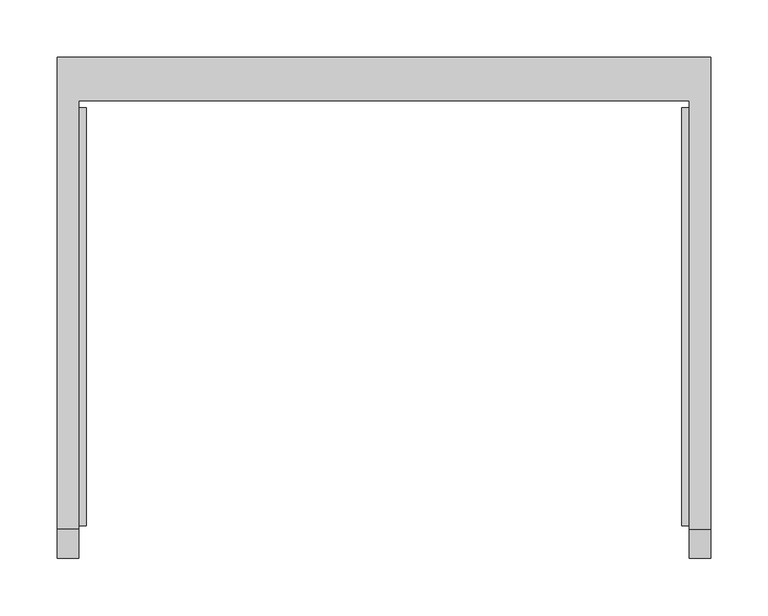
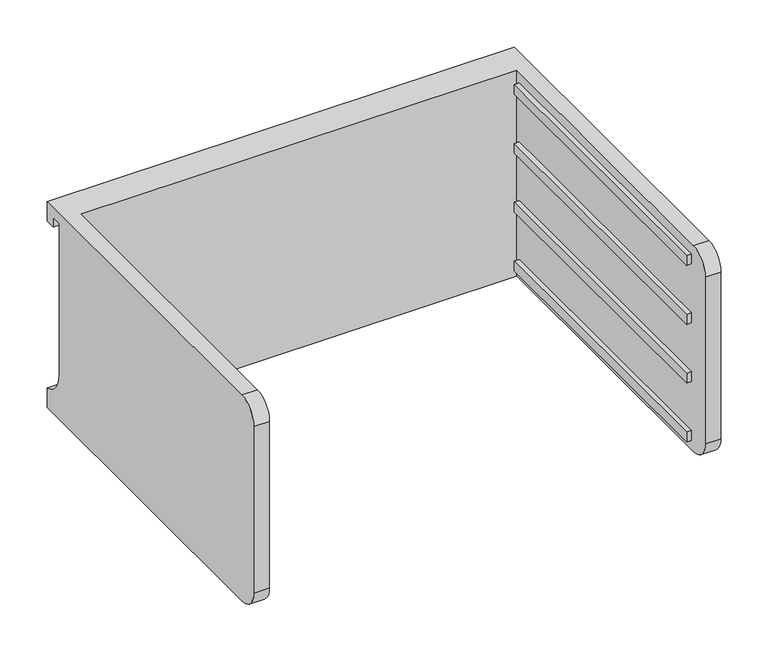
"""IFC4 building model written with IfcOpenShell, lengths in millimetres: furniture geometry."""

from ifc_helpers import new_model, si_unit, frame, origin, place, context, project, spatial, polyline, circle_curve, outline, extrude, source, transform, mapped, element, save
from ifc_brep_helpers import plane_surface, cylinder_surface, revolved_surface, advanced_brep


def furniture_c54fcda0(model_context):
    return source(origin(), model_context, "Body", "SolidModel", [
        advanced_brep(
        [(-171.7622951, -331.6523397, 796.2646), (-171.7622951, -357.0523397, 770.8646), (-171.7622951, -357.0523397, 554.9646), (-171.7622951, -331.6523397, 529.5646), (-171.7622951, 43.0421197, 529.5646), (-171.7622951, 43.0421197, 796.2646), (-190.8122951, -331.6523397, 529.5646), (-190.8122951, -357.0523397, 554.9646), (-190.8122951, -357.0523397, 770.8646), (-190.8122951, -331.6523397, 796.2646), (-190.8122951, 81.0976603, 796.2646), (-190.8122951, 81.0976603, 770.8646), (-190.8122951, 68.4421197, 770.8646), (-190.8122951, 68.4421197, 783.5646), (-190.8122951, 55.7421197, 783.5646), (-190.8122951, 55.7421197, 587.50962), (-190.8122951, 81.0976603, 554.9646), (-190.8122951, 81.0976603, 529.5646), (380.6877049, 81.0976603, 529.5646), (380.6877049, -331.6523397, 529.5646), (361.6377049, -331.6523397, 529.5646), (361.6377049, 43.0421197, 529.5646), (361.6377049, 43.0421197, 796.2646), (361.6377049, -331.6523397, 796.2646), (380.6877049, -331.6523397, 796.2646), (380.6877049, 81.0976603, 796.2646), (380.6877049, 81.0976603, 554.9646), (380.6877049, 55.7421197, 587.50962), (380.6877049, 55.7421197, 783.5646), (380.6877049, 68.4421197, 783.5646), (380.6877049, 68.4421197, 770.8646), (380.6877049, 81.0976603, 770.8646), (380.6877049, -357.0523397, 770.8646), (380.6877049, -357.0523397, 554.9646), (361.6377049, -357.0523397, 554.9646), (361.6377049, -357.0523397, 770.8646)],
        [
            (0, 1, circle_curve(frame((-171.7622951, -331.6523397, 770.8646), z_axis=(1.0, 0.0, 0.0), x_axis=(0.0, 0.0, 1.0)), 25.4)),
            (1, 2),
            (2, 3, circle_curve(frame((-171.7622951, -331.6523397, 554.9646), z_axis=(1.0, 0.0, 0.0), x_axis=(0.0, 0.0, 1.0)), 25.4)),
            (3, 4),
            (4, 5),
            (5, 0),
            (6, 7, circle_curve(frame((-190.8122951, -331.6523397, 554.9646), z_axis=(-1.0, 0.0, 0.0), x_axis=(0.0, 0.0, 1.0)), 25.4)),
            (7, 8),
            (8, 9, circle_curve(frame((-190.8122951, -331.6523397, 770.8646), z_axis=(-1.0, 0.0, 0.0), x_axis=(0.0, 0.0, 1.0)), 25.4)),
            (9, 10),
            (10, 11),
            (11, 12),
            (12, 13),
            (13, 14),
            (14, 15),
            (15, 16, circle_curve(frame((-190.8122951, 89.3064162, 587.50962), z_axis=(1.0, 0.0, 0.0), x_axis=(0.0, 0.0, 1.0)), 33.5642965)),
            (16, 17),
            (17, 6),
            (0, 9),
            (8, 1),
            (7, 2),
            (6, 3),
            (17, 18),
            (18, 19),
            (19, 20),
            (20, 21),
            (21, 4),
            (5, 22),
            (22, 23),
            (23, 24),
            (24, 25),
            (25, 10),
            (18, 26),
            (26, 27, circle_curve(frame((380.6877049, 89.3064162, 587.50962), z_axis=(-1.0, 0.0, 0.0), x_axis=(0.0, 0.0, 1.0)), 33.5642965)),
            (27, 28),
            (28, 29),
            (29, 30),
            (30, 31),
            (31, 25),
            (24, 32, circle_curve(frame((380.6877049, -331.6523397, 770.8646), z_axis=(1.0, 0.0, 0.0), x_axis=(0.0, 0.0, 1.0)), 25.4)),
            (32, 33),
            (33, 19, circle_curve(frame((380.6877049, -331.6523397, 554.9646), z_axis=(1.0, 0.0, 0.0), x_axis=(0.0, 0.0, 1.0)), 25.4)),
            (16, 26),
            (15, 27),
            (14, 28),
            (13, 29),
            (12, 30),
            (11, 31),
            (21, 22),
            (20, 34, circle_curve(frame((361.6377049, -331.6523397, 554.9646), z_axis=(-1.0, 0.0, 0.0), x_axis=(0.0, 0.0, 1.0)), 25.4)),
            (34, 35),
            (35, 23, circle_curve(frame((361.6377049, -331.6523397, 770.8646), z_axis=(-1.0, 0.0, 0.0), x_axis=(0.0, 0.0, 1.0)), 25.4)),
            (35, 32),
            (34, 33),
        ],
        [
            plane_surface(frame((-171.7622951, -331.6523397, 796.2646), z_axis=(1.0, 0.0, 0.0), x_axis=(0.0, -1.0, 0.0))),
            plane_surface(frame((-190.8122951, -331.6523397, 796.2646), z_axis=(-1.0, 0.0, 0.0), x_axis=(0.0, 1.0, 0.0))),
            cylinder_surface(frame((-190.8122951, -331.6523397, 770.8646), z_axis=(1.0, 0.0, 0.0), x_axis=(0.0, 0.0, 1.0)), 25.4),
            plane_surface(frame((-171.7622951, -357.0523397, 770.8646), z_axis=(0.0, -1.0, 0.0), x_axis=(-1.0, 0.0, 0.0))),
            cylinder_surface(frame((-190.8122951, -331.6523397, 554.9646), z_axis=(1.0, 0.0, 0.0), x_axis=(0.0, 0.0, 1.0)), 25.4),
            plane_surface(frame((-171.7622951, -331.6523397, 529.5646), z_axis=(0.0, 0.0, -1.0), x_axis=(-1.0, 0.0, 0.0))),
            plane_surface(frame((-171.7622951, 43.0421197, 796.2646), z_axis=(0.0, 0.0, 1.0), x_axis=(-1.0, 0.0, 0.0))),
            plane_surface(frame((380.6877049, 81.0976603, 554.9646), z_axis=(1.0, 0.0, 0.0), x_axis=(0.0, 0.0, 1.0))),
            plane_surface(frame((380.6877049, 81.0976603, 529.5646), z_axis=(0.0, 1.0, 0.0), x_axis=(-1.0, 0.0, 0.0))),
            revolved_surface(polyline([(-190.8122951, 89.3064162, 621.0739165), (380.68770489999997, 89.3064162, 621.0739165)]), (-190.8122951, 89.3064162, 587.50962), (-1.0, 0.0, 0.0)),
            plane_surface(frame((380.6877049, 55.7421197, 587.50962), z_axis=(0.0, 1.0, 0.0), x_axis=(-1.0, 0.0, 0.0))),
            plane_surface(frame((380.6877049, 55.7421197, 783.5646), z_axis=(0.0, 0.0, -1.0), x_axis=(-1.0, 0.0, 0.0))),
            plane_surface(frame((380.6877049, 68.4421197, 783.5646), z_axis=(0.0, -1.0, 0.0), x_axis=(-1.0, 0.0, 0.0))),
            plane_surface(frame((380.6877049, 68.4421197, 770.8646), z_axis=(0.0, 0.0, -1.0), x_axis=(-1.0, 0.0, 0.0))),
            plane_surface(frame((380.6877049, 81.0976603, 770.8646), z_axis=(0.0, 1.0, 0.0), x_axis=(-1.0, 0.0, 0.0))),
            plane_surface(frame((380.6877049, 43.0421197, 796.2646), z_axis=(0.0, -1.0, 0.0), x_axis=(-1.0, 0.0, 0.0))),
            plane_surface(frame((361.6377049, -331.6523397, 796.2646), z_axis=(-1.0, 0.0, 0.0), x_axis=(0.0, 1.0, 0.0))),
            cylinder_surface(frame((361.6377049, -331.6523397, 770.8646), z_axis=(1.0, 0.0, 0.0), x_axis=(0.0, 0.0, 1.0)), 25.4),
            plane_surface(frame((380.6877049, -357.0523397, 770.8646), z_axis=(0.0, -1.0, 0.0), x_axis=(-1.0, 0.0, 0.0))),
            cylinder_surface(frame((361.6377049, -331.6523397, 554.9646), z_axis=(1.0, 0.0, 0.0), x_axis=(0.0, 0.0, 1.0)), 25.4),
        ],
        [
            (0, [[1, 2, 3, 4, 5, 6]]),
            (1, [[7, 8, 9, 10, 11, 12, 13, 14, 15, 16, 17, 18]]),
            (2, [[-1, 19, -9, 20]]),
            (3, [[-2, -20, -8, 21]]),
            (4, [[-3, -21, -7, 22]]),
            (5, [[-4, -22, -18, 23, 24, 25, 26, 27]]),
            (6, [[-6, 28, 29, 30, 31, 32, -10, -19]]),
            (7, [[-24, 33, 34, 35, 36, 37, 38, 39, -31, 40, 41, 42]]),
            (8, [[-33, -23, -17, 43]]),
            (9, [[-34, -43, -16, 44]]),
            (10, [[-35, -44, -15, 45]]),
            (11, [[-36, -45, -14, 46]]),
            (12, [[-37, -46, -13, 47]]),
            (13, [[-38, -47, -12, 48]]),
            (14, [[-39, -48, -11, -32]]),
            (15, [[-5, -27, 49, -28]]),
            (16, [[-29, -49, -26, 50, 51, 52]]),
            (17, [[-40, -30, -52, 53]]),
            (18, [[-41, -53, -51, 54]]),
            (19, [[-42, -54, -50, -25]]),
        ],
    ),
        extrude(outline(polyline([(355.2877049, -328.4773397), (355.2877049, 36.6921197), (361.6377049, 36.6921197), (361.6377049, -328.4773397), (355.2877049, -328.4773397)])), frame((0.0, 0.0, 618.4646), z_axis=(0.0, 0.0, 1.0), x_axis=(1.0, 0.0, 0.0)), (0.0, 0.0, 1.0), 12.7),
        extrude(outline(polyline([(355.2877049, -328.4773397), (355.2877049, 36.6921197), (361.6377049, 36.6921197), (361.6377049, -328.4773397), (355.2877049, -328.4773397)])), frame((0.0, 0.0, 694.6646), z_axis=(0.0, 0.0, 1.0), x_axis=(1.0, 0.0, 0.0)), (0.0, 0.0, 1.0), 12.7),
        extrude(outline(polyline([(355.2877049, -328.4773397), (355.2877049, 36.6921197), (361.6377049, 36.6921197), (361.6377049, -328.4773397), (355.2877049, -328.4773397)])), frame((0.0, 0.0, 770.8646), z_axis=(0.0, 0.0, 1.0), x_axis=(1.0, 0.0, 0.0)), (0.0, 0.0, 1.0), 12.7),
        extrude(outline(polyline([(355.2877049, -328.4773397), (355.2877049, 36.6921197), (361.6377049, 36.6921197), (361.6377049, -328.4773397), (355.2877049, -328.4773397)])), frame((0.0, 0.0, 542.2646), z_axis=(0.0, 0.0, 1.0), x_axis=(1.0, 0.0, 0.0)), (0.0, 0.0, 1.0), 12.7),
        extrude(outline(polyline([(-171.7622951, -328.4773397), (-171.7622951, 36.6921197), (-165.4122951, 36.6921197), (-165.4122951, -328.4773397), (-171.7622951, -328.4773397)])), frame((0.0, 0.0, 618.4646), z_axis=(0.0, 0.0, 1.0), x_axis=(1.0, 0.0, 0.0)), (0.0, 0.0, 1.0), 12.7),
        extrude(outline(polyline([(-171.7622951, -328.4773397), (-171.7622951, 36.6921197), (-165.4122951, 36.6921197), (-165.4122951, -328.4773397), (-171.7622951, -328.4773397)])), frame((0.0, 0.0, 694.6646), z_axis=(0.0, 0.0, 1.0), x_axis=(1.0, 0.0, 0.0)), (0.0, 0.0, 1.0), 12.7),
        extrude(outline(polyline([(-171.7622951, -328.4773397), (-171.7622951, 36.6921197), (-165.4122951, 36.6921197), (-165.4122951, -328.4773397), (-171.7622951, -328.4773397)])), frame((0.0, 0.0, 770.8646), z_axis=(0.0, 0.0, 1.0), x_axis=(1.0, 0.0, 0.0)), (0.0, 0.0, 1.0), 12.7),
        extrude(outline(polyline([(-171.7622951, -328.4773397), (-171.7622951, 36.6921197), (-165.4122951, 36.6921197), (-165.4122951, -328.4773397), (-171.7622951, -328.4773397)])), frame((0.0, 0.0, 542.2646), z_axis=(0.0, 0.0, 1.0), x_axis=(1.0, 0.0, 0.0)), (0.0, 0.0, 1.0), 12.7),
    ])


if __name__ == "__main__":
    model = new_model("IFC4")
    model_context = context("Model", 3, world=origin())
    ifc_project = project(units=[si_unit("LENGTHUNIT", "METRE", prefix="MILLI")], contexts=[model_context])
    site = spatial("IfcSite", under=ifc_project)
    building = spatial("IfcBuilding", under=site)
    placement = place(None, origin())
    furniture_shape = furniture_c54fcda0(model_context)
    element("IfcFurniture", 1, at=placement, inside=building, context=model_context, shape_type="MappedRepresentation", body=[
        mapped(furniture_shape, transform((0.0, 0.0, 0.0), x_axis=(1.0, 0.0, 0.0), y_axis=(0.0, 1.0, 0.0), z_axis=(0.0, 0.0, 1.0))),
    ])
    save(model, "model.ifc")
